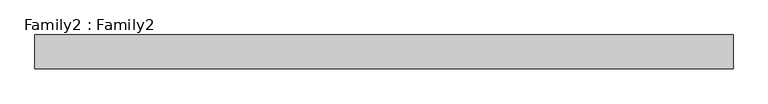
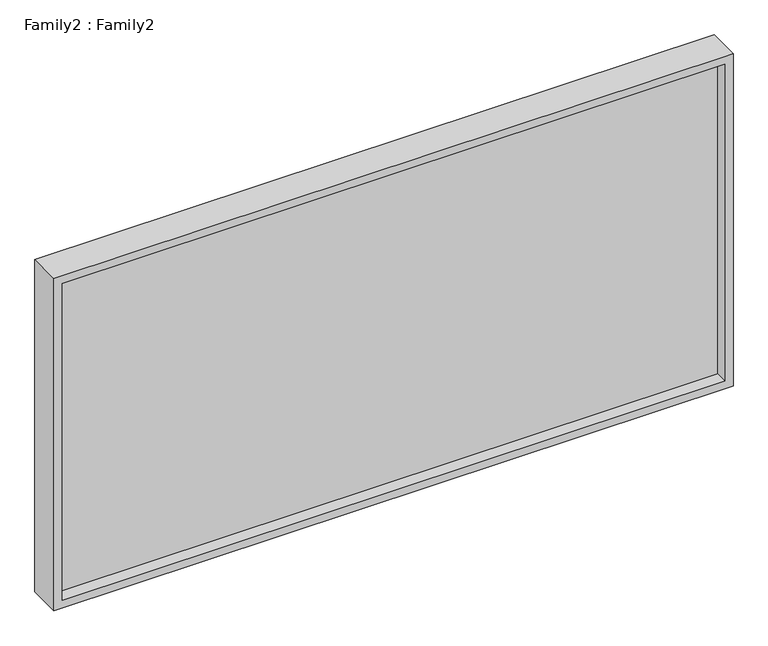
"""IFC4 building model written with IfcOpenShell, lengths in millimetres: plate geometry, Family2 : Family2."""

from ifc_helpers import new_model, si_unit, frame, origin, place, context, project, spatial, polyline, outline, extrude, source, transform, mapped, element, save


def family2_family2_24dae8ab(model_context):
    return source(origin(), model_context, "Body", "SweptSolid", [
        extrude(outline(polyline([(858.3333333, -829.1666667), (0.0, -829.1666667), (0.0, 829.1666667), (858.3333333, 829.1666667), (858.3333333, -829.1666667)]), holes=[polyline([(20.0, -809.1666667), (838.3333333, -809.1666667), (838.3333333, 809.1666667), (20.0, 809.1666667), (20.0, -809.1666667)])]), frame((0.0, -40.0, 0.0), z_axis=(0.0, 1.0, 0.0), x_axis=(0.0, 0.0, 1.0)), (0.0, 0.0, 1.0), 80.0),
        extrude(outline(polyline([(809.1666667, -10.0), (-809.1666667, -10.0), (-809.1666667, 10.0), (809.1666667, 10.0), (809.1666667, -10.0)])), frame((0.0, 0.0, 20.0), z_axis=(0.0, 0.0, 1.0), x_axis=(1.0, 0.0, 0.0)), (0.0, 0.0, 1.0), 818.3333333),
    ])


if __name__ == "__main__":
    model = new_model("IFC4")
    model_context = context("Model", 3, world=origin())
    ifc_project = project(units=[si_unit("LENGTHUNIT", "METRE", prefix="MILLI")], contexts=[model_context])
    site = spatial("IfcSite", under=ifc_project)
    building = spatial("IfcBuilding", under=site)
    placement = place(None, origin())
    family2_family2_shape = family2_family2_24dae8ab(model_context)
    element("IfcPlate", 1, ObjectType="Family2 : Family2", at=placement, inside=building, context=model_context, shape_type="MappedRepresentation", body=[
        mapped(family2_family2_shape, transform((0.0, 0.0, 0.0), x_axis=(1.0, 0.0, 0.0), y_axis=(0.0, 1.0, 0.0), z_axis=(0.0, 0.0, 1.0))),
    ])
    save(model, "model.ifc")
